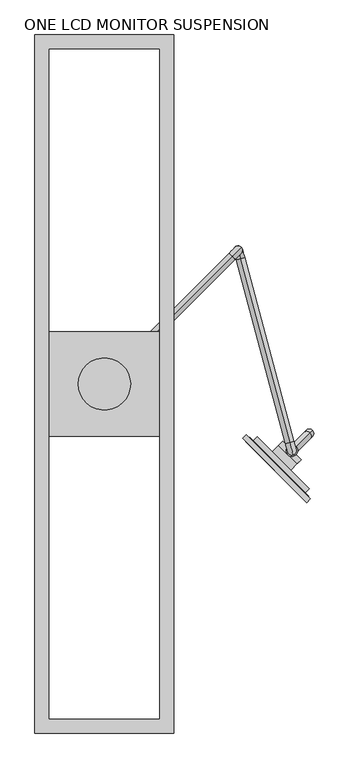
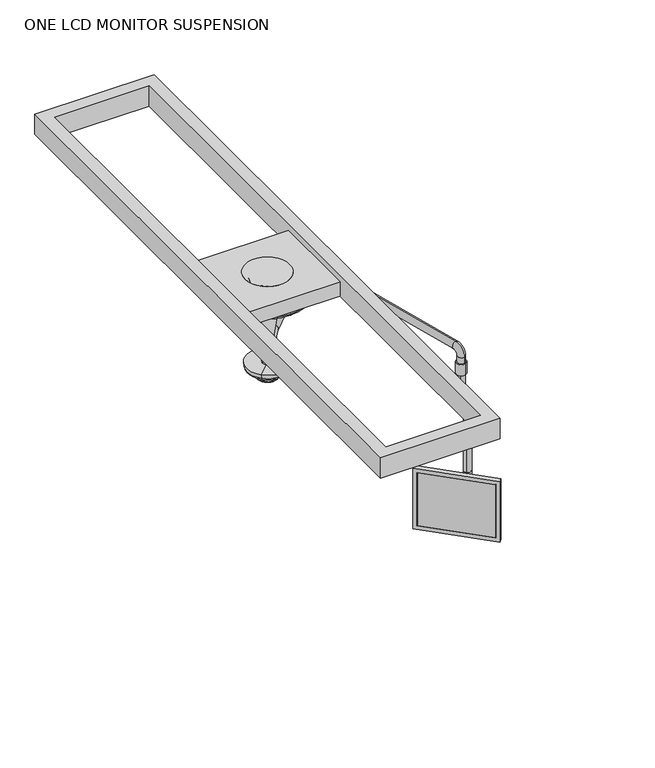
"""IFC4 building model written with IfcOpenShell, lengths in millimetres: proxy geometry, ONE LCD MONITOR SUSPENSION."""

from ifc_helpers import new_model, si_unit, point, frame, frame_2d, origin, origin_2d, place, context, project, spatial, polyline, circle_curve, ellipse_curve, trimmed, segment, composite_curve, outline, extrude, source, transform, mapped, element, save
from ifc_brep_helpers import plane_surface, cylinder_surface, revolved_surface, advanced_brep


def one_lcd_monitor_suspension_3191256f(model_context):
    return source(origin(), model_context, "Body", "SolidModel", [
        extrude(outline(polyline([(875.8612935, -506.0492928), (622.6180709, -252.8060702), (623.7406029, -251.6835382), (876.9838255, -504.9267608), (875.8612935, -506.0492928)])), frame((0.0, 0.0, 1387.2502585), z_axis=(0.0, 0.0, 1.0), x_axis=(1.0, 0.0, 0.0)), (0.0, 0.0, 1.0), 287.02),
        extrude(outline(polyline([(892.6992738, -493.7014407), (634.9659231, -235.96809), (637.2109871, -233.723026), (894.9443378, -491.4563766), (892.6992738, -493.7014407)])), frame((0.0, 0.0, 1384.0752585), z_axis=(0.0, 0.0, 1.0), x_axis=(1.0, 0.0, 0.0)), (0.0, 0.0, 1.0), 293.37),
        extrude(outline(composite_curve([segment(trimmed(circle_curve(frame_2d((121.426251, -25.3999999)), 25.4), [point((121.426251, 0.0))], [point((146.826251, -25.3999999))], False, "CARTESIAN"), True, "CONTINUOUS"), segment(polyline([(146.826251, -25.3999999), (146.826251, -63.5), (45.226251, -63.5), (45.226251, -25.3999999)]), True, "CONTINUOUS"), segment(trimmed(circle_curve(frame_2d((70.626251, -25.3999999)), 25.4), [point((45.226251, -25.3999999))], [point((70.626251, 0.0))], False, "CARTESIAN"), True, "CONTINUOUS"), segment(polyline([(70.626251, 0.0), (121.426251, 0.0)]), True, "CONTINUOUS")], self_intersect=False)), frame((861.8336332, -332.6220864, 1435.5869324), z_axis=(-0.7071067811865437, 0.7071067811865515, 0.0), x_axis=(0.0, 0.0, 1.0)), (0.0, 0.0, 1.0), 114.3),
        extrude(outline(polyline([(880.1269152, -476.638954), (652.0284097, -248.5404486), (669.988922, -230.5799363), (898.0874274, -458.6784418), (880.1269152, -476.638954)])), frame((0.0, 0.0, 1405.0302585), z_axis=(0.0, 0.0, 1.0), x_axis=(1.0, 0.0, 0.0)), (0.0, 0.0, 1.0), 251.46),
        extrude(outline(polyline([(-438.15, 0.0), (-39.37, 0.0), (-39.37, -327.66), (-438.15, -327.66), (-438.15, 0.0)]), holes=[polyline([(-417.83, -20.32), (-417.83, -307.34), (-59.69, -307.34), (-59.69, -20.32), (-417.83, -20.32)])]), frame((577.4922839, -209.9253472, 1694.5902585), z_axis=(0.7071067811865515, 0.7071067811865437, 0.0), x_axis=(-0.7071067811865437, 0.7071067811865515, 0.0)), (0.0, 0.0, 1.0), 22.225),
        extrude(outline(polyline([(-304.8, 1530.35), (304.8, 1530.35), (304.8, -1530.35), (-304.8, -1530.35), (-304.8, 1530.35)]), holes=[polyline([(-241.3, 1466.85), (-241.3, -1466.85), (241.3, -1466.85), (241.3, 1466.85), (-241.3, 1466.85)])]), frame((0.0, 0.0, 2743.2), z_axis=(0.0, 0.0, 1.0), x_axis=(1.0, 0.0, 0.0)), (0.0, 0.0, 1.0), 109.4261792),
        extrude(outline(composite_curve([segment(trimmed(circle_curve(origin_2d(), 114.3), [point((114.3, 0.0))], [point((-114.3, 0.0))], False, "CARTESIAN"), True, "CONTINUOUS"), segment(trimmed(circle_curve(origin_2d(), 114.3), [point((-114.3, 0.0))], [point((114.3, 0.0))], False, "CARTESIAN"), True, "CONTINUOUS")], self_intersect=False)), frame((0.0, 0.0, 2809.4461792), z_axis=(0.0, 0.0, 1.0), x_axis=(1.0, 0.0, 0.0)), (0.0, 0.0, 1.0), 12.7),
        advanced_brep(
        [(0.0, -203.2, 2745.9461792), (0.0, 203.2, 2745.9461792), (0.0, 203.2, 2717.1186823), (0.0, -203.2, 2717.1186823), (0.0, 0.0, 2745.9461792), (0.0, -112.5758506, 2680.1350267), (0.0, 112.5758506, 2680.1350267), (0.0, 0.0, 2680.1350267), (0.0, -120.3119154, 2681.3417776), (0.0, 120.3119154, 2681.3417776), (0.0, -194.3680324, 2705.0220578), (0.0, 194.3680324, 2705.0220578)],
        [
            (0, 1, circle_curve(frame((0.0, 0.0, 2745.9461792), z_axis=(0.0, 0.0, -1.0), x_axis=(0.0, 1.0, 0.0)), 203.2)),
            (1, 2),
            (2, 3, circle_curve(frame((0.0, 0.0, 2717.1186823), z_axis=(0.0, 0.0, 1.0), x_axis=(0.0, 1.0, 0.0)), 203.2)),
            (3, 0),
            (1, 0, circle_curve(frame((0.0, 0.0, 2745.9461792), z_axis=(0.0, 0.0, -1.0), x_axis=(0.0, 1.0, 0.0)), 203.2)),
            (3, 2, circle_curve(frame((0.0, 0.0, 2717.1186823), z_axis=(0.0, 0.0, 1.0), x_axis=(0.0, 1.0, 0.0)), 203.2)),
            (4, 1),
            (0, 4),
            (5, 6, circle_curve(frame((0.0, 0.0, 2680.1350267), z_axis=(0.0, 0.0, -1.0), x_axis=(0.0, 1.0, 0.0)), 112.5758506)),
            (6, 7),
            (7, 5),
            (6, 5, circle_curve(frame((0.0, 0.0, 2680.1350267), z_axis=(0.0, 0.0, -1.0), x_axis=(0.0, 1.0, 0.0)), 112.5758506)),
            (8, 9, circle_curve(frame((0.0, 0.0, 2681.3417776), z_axis=(0.0, 0.0, -1.0), x_axis=(0.0, 1.0, 0.0)), 120.3119154)),
            (9, 6, circle_curve(frame((0.0, 112.5758506, 2705.5350267), z_axis=(-1.0, 0.0, 0.0), x_axis=(0.0, -1.0, 0.0)), 25.4)),
            (5, 8, circle_curve(frame((0.0, -112.5758506, 2705.5350267), z_axis=(-1.0, 0.0, 0.0), x_axis=(0.0, 1.0, 0.0)), 25.4)),
            (9, 8, circle_curve(frame((0.0, 0.0, 2681.3417776), z_axis=(0.0, 0.0, -1.0), x_axis=(0.0, 1.0, 0.0)), 120.3119154)),
            (10, 11, circle_curve(frame((0.0, 0.0, 2705.0220578), z_axis=(0.0, 0.0, -1.0), x_axis=(0.0, 1.0, 0.0)), 194.3680324)),
            (11, 9),
            (8, 10),
            (11, 10, circle_curve(frame((0.0, 0.0, 2705.0220578), z_axis=(0.0, 0.0, -1.0), x_axis=(0.0, 1.0, 0.0)), 194.3680324)),
            (2, 11, circle_curve(frame((0.0, 190.5, 2717.1186823), z_axis=(-1.0, 0.0, 0.0), x_axis=(0.0, -1.0, 0.0)), 12.7)),
            (10, 3, circle_curve(frame((0.0, -190.5, 2717.1186823), z_axis=(-1.0, 0.0, 0.0), x_axis=(0.0, 1.0, 0.0)), 12.7)),
        ],
        [
            cylinder_surface(frame((0.0, 0.0, 2762.8161191), z_axis=(0.0, 0.0, 1.0), x_axis=(0.0, 1.0, 0.0)), 203.2),
            plane_surface(frame((0.0, 0.0, 2745.9461792), z_axis=(0.0, 0.0, 1.0), x_axis=(0.0, 1.0, 0.0))),
            plane_surface(frame((0.0, 0.0, 2680.1350267), z_axis=(0.0, 0.0, -1.0), x_axis=(0.0, 1.0, 0.0))),
            revolved_surface(trimmed(ellipse_curve(frame((0.0, 112.5758506, 2705.5350267), z_axis=(1.0, 0.0, 0.0), x_axis=(0.0, -1.0, 0.0)), 25.4, 25.4), [point((0.0, 112.5758506, 2680.1350267))], [point((0.0, 120.3119154, 2681.3417776))], True, "CARTESIAN"), (0.0, 0.0, 2762.8161191), (0.0, 0.0, 1.0)),
            revolved_surface(polyline([(0.0, 120.3119154, 2681.3417776), (0.0, 194.3680324, 2705.0220578)]), (0.0, 0.0, 2762.8161191), (0.0, 0.0, 1.0)),
            revolved_surface(trimmed(ellipse_curve(frame((0.0, 190.5, 2717.1186823), z_axis=(1.0, 0.0, 0.0), x_axis=(0.0, -1.0, 0.0)), 12.7, 12.7), [point((0.0, 194.3680324, 2705.0220578))], [point((0.0, 203.2, 2717.1186823))], True, "CARTESIAN"), (0.0, 0.0, 2762.8161191), (0.0, 0.0, 1.0)),
        ],
        [
            (0, [[1, 2, 3, 4]]),
            (0, [[5, -4, 6, -2]]),
            (1, [[7, -1, 8]]),
            (1, [[-8, -5, -7]]),
            (2, [[9, 10, 11]]),
            (2, [[12, -11, -10]]),
            (3, [[13, 14, -9, 15]]),
            (3, [[16, -15, -12, -14]]),
            (4, [[17, 18, -13, 19]]),
            (4, [[20, -19, -16, -18]]),
            (5, [[-3, 21, -17, 22]]),
            (5, [[-6, -22, -20, -21]]),
        ],
    ),
        extrude(outline(polyline([(2800.9161191, -263.4295592), (2813.6161191, -263.4295592), (2813.6161191, -295.1795592), (2756.4661191, -295.1795592), (2756.4661191, -273.1014375), (2762.8161191, -273.1014375), (2762.8161191, -263.4295592), (2769.1661191, -263.4295592), (2769.1661191, -250.7295592), (2745.9461792, -250.7295592), (2745.9461792, 250.7295592), (2769.1661191, 250.7295592), (2769.1661191, 263.4295592), (2762.8161191, 263.4295592), (2762.8161191, 273.1014375), (2756.4661191, 273.1014375), (2756.4661191, 295.1795592), (2813.6161191, 295.1795592), (2813.6161191, 263.4295592), (2800.9161191, 263.4295592), (2800.9161191, 250.7295592), (2822.1461792, 250.7295592), (2822.1461792, -250.7295592), (2800.9161191, -250.7295592), (2800.9161191, -263.4295592)])), frame((0.0, -228.8982997, 0.0), z_axis=(0.0, 1.0, 0.0), x_axis=(0.0, 0.0, 1.0)), (0.0, 0.0, 1.0), 457.7965994),
        extrude(outline(composite_curve([segment(trimmed(circle_curve(frame_2d((822.0470815, -292.5711806)), 25.4), [point((815.4730777, -268.0366646))], [point((828.6210852, -317.1056966))], False, "CARTESIAN"), True, "CONTINUOUS"), segment(trimmed(circle_curve(frame_2d((822.0470815, -292.5711806)), 25.4), [point((828.6210852, -317.1056966))], [point((815.4730777, -268.0366646))], False, "CARTESIAN"), True, "CONTINUOUS")], self_intersect=False)), frame((0.0, 0.0, 2168.2598584), z_axis=(0.0, 0.0, 1.0), x_axis=(1.0, 0.0, 0.0)), (0.0, 0.0, 1.0), 59.0805402),
        advanced_brep(
        [(835.5174657, -279.1007964, 2198.1762569), (808.5766973, -306.0415648, 2198.1762569), (835.5174657, -279.1007964, 2010.7577936), (808.5766973, -306.0415648, 2010.7577936), (820.4128498, -294.2054122, 1970.3466411), (839.4628498, -275.1554122, 1997.2874094), (899.8813131, -214.7369489, 1911.8427993), (880.8313131, -233.7869489, 1884.9020309), (884.7766973, -229.8415648, 1871.4316467), (911.7174657, -202.9007964, 1871.4316467), (911.7174657, -202.9007964, 1569.7131834), (884.7766973, -229.8415648, 1569.7131834), (871.3063131, -243.3119489, 1550.6631834), (871.3063131, -243.3119489, 1512.5631834), (790.484008, -324.134254, 1512.5631834), (790.484008, -324.134254, 1550.6631834)],
        [
            (0, 1, circle_curve(frame((822.0470815, -292.5711806, 2198.1762569), z_axis=(0.0, 0.0, 1.0), x_axis=(-0.7071067811865601, -0.707106781186535, 0.0)), 19.05)),
            (1, 0, circle_curve(frame((822.0470815, -292.5711806, 2198.1762569), z_axis=(0.0, 0.0, 1.0), x_axis=(-0.7071067811865601, -0.707106781186535, 0.0)), 19.05)),
            (0, 2),
            (2, 3, circle_curve(frame((822.0470815, -292.5711806, 2010.7577936), z_axis=(0.0, 0.0, 1.0), x_axis=(-0.7071067811865601, -0.707106781186535, 0.0)), 19.05)),
            (3, 1),
            (3, 2, circle_curve(frame((822.0470815, -292.5711806, 2010.7577936), z_axis=(0.0, 0.0, 1.0), x_axis=(-0.7071067811865601, -0.707106781186535, 0.0)), 19.05)),
            (4, 3, circle_curve(frame((848.9878498, -265.6304122, 2010.7577936), z_axis=(-0.707106781186535, 0.7071067811865601, 0.0), x_axis=(-0.7071067811865601, -0.707106781186535, 0.0)), 57.15)),
            (2, 5, circle_curve(frame((848.9878498, -265.6304122, 2010.7577936), z_axis=(0.707106781186535, -0.7071067811865601, 0.0), x_axis=(-0.7071067811865601, -0.707106781186535, 0.0)), 19.05)),
            (5, 4, circle_curve(frame((829.9378498, -284.6804122, 1983.8170253), z_axis=(-0.5000000000000221, -0.5000000000000044, 0.7071067811865288), x_axis=(-0.4999999999999957, -0.49999999999997785, -0.7071067811865662)), 19.05)),
            (4, 5, circle_curve(frame((829.9378498, -284.6804122, 1983.8170253), z_axis=(-0.5000000000000132, -0.49999999999999556, 0.7071067811865414), x_axis=(-0.5000000000000046, -0.49999999999998673, -0.7071067811865537)), 19.05)),
            (5, 6),
            (6, 7, circle_curve(frame((890.3563131, -224.2619489, 1898.3724151), z_axis=(-0.5000000000000095, -0.49999999999999206, 0.7071067811865466), x_axis=(-0.5000000000000082, -0.49999999999999045, -0.7071067811865486)), 19.05)),
            (7, 4),
            (7, 6, circle_curve(frame((890.3563131, -224.2619489, 1898.3724151), z_axis=(-0.5000000000000095, -0.49999999999999206, 0.7071067811865466), x_axis=(-0.5000000000000082, -0.49999999999999045, -0.7071067811865486)), 19.05)),
            (8, 7, circle_curve(frame((871.3063131, -243.3119489, 1871.4316467), z_axis=(0.707106781186535, -0.7071067811865601, 0.0), x_axis=(0.5000000000000102, 0.4999999999999924, 0.7071067811865457)), 19.05)),
            (6, 9, circle_curve(frame((871.3063131, -243.3119489, 1871.4316467), z_axis=(-0.707106781186535, 0.7071067811865601, 0.0), x_axis=(0.5000000000000102, 0.4999999999999924, 0.7071067811865457)), 57.15)),
            (9, 8, circle_curve(frame((898.2470815, -216.3711806, 1871.4316467), z_axis=(0.0, 0.0, 1.0), x_axis=(-0.7071067811865601, -0.707106781186535, 0.0)), 19.05)),
            (8, 9, circle_curve(frame((898.2470815, -216.3711806, 1871.4316467), z_axis=(0.0, 0.0, 1.0), x_axis=(-0.7071067811865601, -0.707106781186535, 0.0)), 19.05)),
            (9, 10),
            (10, 11, circle_curve(frame((898.2470815, -216.3711806, 1569.7131834), z_axis=(0.0, 0.0, 1.0), x_axis=(-0.70710678118656, -0.7071067811865349, 0.0)), 19.05)),
            (11, 8),
            (11, 10, circle_curve(frame((898.2470815, -216.3711806, 1569.7131834), z_axis=(0.0, 0.0, 1.0), x_axis=(-0.70710678118656, -0.7071067811865349, 0.0)), 19.05)),
            (12, 11, circle_curve(frame((871.3063131, -243.3119489, 1569.7131834), z_axis=(0.707106781186535, -0.7071067811865601, 0.0), x_axis=(0.7071067811865601, 0.707106781186535, 0.0)), 19.05)),
            (10, 13, circle_curve(frame((871.3063131, -243.3119489, 1569.7131834), z_axis=(-0.707106781186535, 0.7071067811865601, 0.0), x_axis=(0.7071067811865601, 0.707106781186535, 0.0)), 57.15)),
            (13, 12, circle_curve(frame((871.3063131, -243.3119489, 1531.6131834), z_axis=(0.7071067811865602, 0.7071067811865349, 0.0), x_axis=(0.0, 0.0, 1.0)), 19.05)),
            (12, 13, circle_curve(frame((871.3063131, -243.3119489, 1531.6131834), z_axis=(0.7071067811865602, 0.7071067811865349, 0.0), x_axis=(0.0, 0.0, 1.0)), 19.05)),
            (14, 15, circle_curve(frame((790.484008, -324.134254, 1531.6131834), z_axis=(-0.7071067811865601, -0.7071067811865349, 0.0), x_axis=(0.0, 0.0, 1.0)), 19.05)),
            (15, 14, circle_curve(frame((790.484008, -324.134254, 1531.6131834), z_axis=(-0.7071067811865601, -0.7071067811865349, 0.0), x_axis=(0.0, 0.0, 1.0)), 19.05)),
            (13, 14),
            (15, 12),
        ],
        [
            plane_surface(frame((822.0470815, -292.5711806, 2198.1762569), z_axis=(0.0, 0.0, 1.0), x_axis=(-0.707106781186535, 0.7071067811865601, 0.0))),
            cylinder_surface(frame((822.0470815, -292.5711806, 2198.1762569), z_axis=(0.0, 0.0, 1.0), x_axis=(-0.7071067811865601, -0.707106781186535, 0.0)), 19.05),
            revolved_surface(trimmed(ellipse_curve(frame((822.0470815, -292.5711806, 2010.7577936), z_axis=(0.0, 0.0, 1.0), x_axis=(-0.7071067811865601, -0.707106781186535, 0.0)), 19.05, 19.05), [point((835.5174657, -279.1007964, 2010.7577936))], [point((808.5766973, -306.0415648, 2010.7577936))], True, "CARTESIAN"), (848.9878498, -265.6304122, 2010.7577936), (0.707106781186535, -0.7071067811865601, 0.0)),
            revolved_surface(trimmed(ellipse_curve(frame((822.0470815, -292.5711806, 2010.7577936), z_axis=(0.0, 0.0, 1.0), x_axis=(-0.7071067811865601, -0.707106781186535, 0.0)), 19.05, 19.05), [point((808.5766973, -306.0415648, 2010.7577936))], [point((835.5174657, -279.1007964, 2010.7577936))], True, "CARTESIAN"), (848.9878498, -265.6304122, 2010.7577936), (0.707106781186535, -0.7071067811865601, 0.0)),
            cylinder_surface(frame((829.9378498, -284.6804122, 1983.8170253), z_axis=(-0.5000000000000095, -0.49999999999999206, 0.7071067811865466), x_axis=(-0.5000000000000082, -0.49999999999999045, -0.7071067811865486)), 19.05),
            revolved_surface(trimmed(ellipse_curve(frame((890.3563131, -224.2619489, 1898.3724151), z_axis=(-0.5000000000000075, -0.4999999999999901, 0.7071067811865493), x_axis=(-0.5000000000000101, -0.4999999999999923, -0.7071067811865458)), 19.05, 19.05), [point((899.8813131, -214.7369489, 1911.8427993))], [point((880.8313131, -233.7869489, 1884.9020309))], True, "CARTESIAN"), (871.3063131, -243.3119489, 1871.4316467), (-0.707106781186535, 0.7071067811865601, 0.0)),
            revolved_surface(trimmed(ellipse_curve(frame((890.3563131, -224.2619489, 1898.3724151), z_axis=(-0.5000000000000075, -0.4999999999999901, 0.7071067811865493), x_axis=(-0.5000000000000101, -0.4999999999999923, -0.7071067811865458)), 19.05, 19.05), [point((880.8313131, -233.7869489, 1884.9020309))], [point((899.8813131, -214.7369489, 1911.8427993))], True, "CARTESIAN"), (871.3063131, -243.3119489, 1871.4316467), (-0.707106781186535, 0.7071067811865601, 0.0)),
            cylinder_surface(frame((898.2470815, -216.3711806, 1871.4316467), z_axis=(0.0, 0.0, 1.0), x_axis=(-0.70710678118656, -0.7071067811865349, 0.0)), 19.05),
            revolved_surface(trimmed(ellipse_curve(frame((898.2470815, -216.3711806, 1569.7131834), z_axis=(0.0, 0.0, 1.0), x_axis=(-0.7071067811865601, -0.707106781186535, 0.0)), 19.05, 19.05), [point((911.7174657, -202.9007964, 1569.7131834))], [point((884.7766973, -229.8415648, 1569.7131834))], True, "CARTESIAN"), (871.3063131, -243.3119489, 1569.7131834), (-0.707106781186535, 0.7071067811865601, 0.0)),
            revolved_surface(trimmed(ellipse_curve(frame((898.2470815, -216.3711806, 1569.7131834), z_axis=(0.0, 0.0, 1.0), x_axis=(-0.7071067811865601, -0.707106781186535, 0.0)), 19.05, 19.05), [point((884.7766973, -229.8415648, 1569.7131834))], [point((911.7174657, -202.9007964, 1569.7131834))], True, "CARTESIAN"), (871.3063131, -243.3119489, 1569.7131834), (-0.707106781186535, 0.7071067811865601, 0.0)),
            plane_surface(frame((790.484008, -324.134254, 1531.6131834), z_axis=(-0.7071067811865601, -0.7071067811865349, 0.0), x_axis=(-0.7071067811865349, 0.7071067811865601, 0.0))),
            cylinder_surface(frame((871.3063131, -243.3119489, 1531.6131834), z_axis=(0.7071067811865602, 0.707106781186535, 0.0), x_axis=(0.0, 0.0, 1.0)), 19.05),
        ],
        [
            (0, [[1, 2]]),
            (1, [[-1, 3, 4, 5]]),
            (1, [[-2, -5, 6, -3]]),
            (2, [[7, -4, 8, 9]]),
            (3, [[-8, -6, -7, 10]]),
            (4, [[-9, 11, 12, 13]]),
            (4, [[-10, -13, 14, -11]]),
            (5, [[15, -12, 16, 17]]),
            (6, [[-16, -14, -15, 18]]),
            (7, [[-17, 19, 20, 21]]),
            (7, [[-18, -21, 22, -19]]),
            (8, [[23, -20, 24, 25]]),
            (9, [[-24, -22, -23, 26]]),
            (10, [[27, 28]]),
            (11, [[-25, 29, -28, 30]]),
            (11, [[-26, -30, -27, -29]]),
        ],
    ),
        advanced_brep(
        [(581.5700245, 604.9014143, 2401.3762569), (591.4310301, 568.0996403, 2401.3762569), (581.5700245, 604.9014143, 2337.8762569), (591.4310301, 568.0996403, 2337.8762569), (596.3615329, 549.6987533, 2318.8262569), (596.3615329, 549.6987533, 2280.7262569), (812.1860759, -255.7694066, 2280.7262569), (812.1860759, -255.7694066, 2318.8262569), (826.9775843, -310.9720676, 2261.6762569), (817.1165787, -274.1702936, 2261.6762569), (817.1165787, -274.1702936, 2198.1762569), (826.9775843, -310.9720676, 2198.1762569)],
        [
            (0, 1, circle_curve(frame((586.5005273, 586.5005273, 2401.3762569), z_axis=(0.0, 0.0, 1.0), x_axis=(0.2588190451025223, -0.965925826289068, 0.0)), 19.05)),
            (1, 0, circle_curve(frame((586.5005273, 586.5005273, 2401.3762569), z_axis=(0.0, 0.0, 1.0), x_axis=(0.2588190451025223, -0.965925826289068, 0.0)), 19.05)),
            (0, 2),
            (2, 3, circle_curve(frame((586.5005273, 586.5005273, 2337.8762569), z_axis=(0.0, 0.0, 1.0), x_axis=(0.2588190451025223, -0.965925826289068, 0.0)), 19.05)),
            (3, 1),
            (3, 2, circle_curve(frame((586.5005273, 586.5005273, 2337.8762569), z_axis=(0.0, 0.0, 1.0), x_axis=(0.2588190451025223, -0.965925826289068, 0.0)), 19.05)),
            (4, 3, circle_curve(frame((596.3615329, 549.6987533, 2337.8762569), z_axis=(0.965925826289068, 0.2588190451025223, 0.0), x_axis=(-0.2588190451025223, 0.965925826289068, 0.0)), 19.05)),
            (2, 5, circle_curve(frame((596.3615329, 549.6987533, 2337.8762569), z_axis=(-0.965925826289068, -0.2588190451025223, 0.0), x_axis=(-0.2588190451025223, 0.965925826289068, 0.0)), 57.15)),
            (5, 4, circle_curve(frame((596.3615329, 549.6987533, 2299.7762569), z_axis=(-0.2588190451025223, 0.965925826289068, 0.0), x_axis=(0.0, 0.0, 1.0000000000000002)), 19.05)),
            (4, 5, circle_curve(frame((596.3615329, 549.6987533, 2299.7762569), z_axis=(-0.2588190451025223, 0.965925826289068, 0.0), x_axis=(0.0, 0.0, 1.0000000000000002)), 19.05)),
            (5, 6),
            (6, 7, circle_curve(frame((812.1860759, -255.7694066, 2299.7762569), z_axis=(-0.2588190451025223, 0.965925826289068, 0.0), x_axis=(0.0, 0.0, 1.0)), 19.05)),
            (7, 4),
            (7, 6, circle_curve(frame((812.1860759, -255.7694066, 2299.7762569), z_axis=(-0.2588190451025223, 0.965925826289068, 0.0), x_axis=(0.0, 0.0, 1.0)), 19.05)),
            (8, 7, circle_curve(frame((812.1860759, -255.7694066, 2261.6762569), z_axis=(-0.965925826289068, -0.2588190451025223, 0.0), x_axis=(0.0, 0.0, 1.0)), 57.15)),
            (6, 9, circle_curve(frame((812.1860759, -255.7694066, 2261.6762569), z_axis=(0.965925826289068, 0.2588190451025223, 0.0), x_axis=(0.0, 0.0, 1.0)), 19.05)),
            (9, 8, circle_curve(frame((822.0470815, -292.5711806, 2261.6762569), z_axis=(0.0, 0.0, 1.0), x_axis=(0.2588190451025222, -0.965925826289068, 0.0)), 19.05)),
            (8, 9, circle_curve(frame((822.0470815, -292.5711806, 2261.6762569), z_axis=(0.0, 0.0, 1.0), x_axis=(0.2588190451025222, -0.965925826289068, 0.0)), 19.05)),
            (10, 11, circle_curve(frame((822.0470815, -292.5711806, 2198.1762569), z_axis=(0.0, 0.0, -1.0), x_axis=(0.2588190451025222, -0.965925826289068, 0.0)), 19.05)),
            (11, 10, circle_curve(frame((822.0470815, -292.5711806, 2198.1762569), z_axis=(0.0, 0.0, -1.0), x_axis=(0.2588190451025222, -0.965925826289068, 0.0)), 19.05)),
            (9, 10),
            (11, 8),
        ],
        [
            plane_surface(frame((586.5005273, 586.5005273, 2401.3762569), z_axis=(0.0, 0.0, 1.0000000000000002), x_axis=(-0.965925826289068, -0.2588190451025223, 0.0))),
            cylinder_surface(frame((586.5005273, 586.5005273, 2401.3762569), z_axis=(0.0, 0.0, 1.0000000000000002), x_axis=(0.2588190451025223, -0.965925826289068, 0.0)), 19.05),
            revolved_surface(trimmed(ellipse_curve(frame((586.5005273, 586.5005273, 2337.8762569), z_axis=(0.0, 0.0, 1.0000000000000002), x_axis=(0.2588190451025223, -0.965925826289068, 0.0)), 19.05, 19.05), [point((581.5700245, 604.9014143, 2337.8762569))], [point((591.4310301, 568.0996403, 2337.8762569))], True, "CARTESIAN"), (596.3615329, 549.6987533, 2337.8762569), (-0.965925826289068, -0.2588190451025223, 0.0)),
            revolved_surface(trimmed(ellipse_curve(frame((586.5005273, 586.5005273, 2337.8762569), z_axis=(0.0, 0.0, 1.0000000000000002), x_axis=(0.2588190451025223, -0.965925826289068, 0.0)), 19.05, 19.05), [point((591.4310301, 568.0996403, 2337.8762569))], [point((581.5700245, 604.9014143, 2337.8762569))], True, "CARTESIAN"), (596.3615329, 549.6987533, 2337.8762569), (-0.965925826289068, -0.2588190451025223, 0.0)),
            cylinder_surface(frame((596.3615329, 549.6987533, 2299.7762569), z_axis=(-0.2588190451025223, 0.965925826289068, 0.0), x_axis=(0.0, 0.0, 1.0)), 19.05),
            revolved_surface(trimmed(ellipse_curve(frame((812.1860759, -255.7694066, 2299.7762569), z_axis=(-0.2588190451025223, 0.965925826289068, 0.0), x_axis=(0.0, 0.0, 1.0)), 19.05, 19.05), [point((812.1860759, -255.7694066, 2280.7262569))], [point((812.1860759, -255.7694066, 2318.8262569))], True, "CARTESIAN"), (812.1860759, -255.7694066, 2261.6762569), (0.965925826289068, 0.2588190451025223, 0.0)),
            revolved_surface(trimmed(ellipse_curve(frame((812.1860759, -255.7694066, 2299.7762569), z_axis=(-0.2588190451025223, 0.965925826289068, 0.0), x_axis=(0.0, 0.0, 1.0)), 19.05, 19.05), [point((812.1860759, -255.7694066, 2318.8262569))], [point((812.1860759, -255.7694066, 2280.7262569))], True, "CARTESIAN"), (812.1860759, -255.7694066, 2261.6762569), (0.965925826289068, 0.2588190451025223, 0.0)),
            plane_surface(frame((822.0470815, -292.5711806, 2198.1762569), z_axis=(0.0, 0.0, -1.0000000000000002), x_axis=(-0.965925826289068, -0.2588190451025222, 0.0))),
            cylinder_surface(frame((822.0470815, -292.5711806, 2261.6762569), z_axis=(0.0, 0.0, 1.0), x_axis=(0.2588190451025222, -0.965925826289068, 0.0)), 19.05),
        ],
        [
            (0, [[1, 2]]),
            (1, [[-1, 3, 4, 5]]),
            (1, [[-2, -5, 6, -3]]),
            (2, [[7, -4, 8, 9]]),
            (3, [[-8, -6, -7, 10]]),
            (4, [[-9, 11, 12, 13]]),
            (4, [[-10, -13, 14, -11]]),
            (5, [[15, -12, 16, 17]]),
            (6, [[-16, -14, -15, 18]]),
            (7, [[19, 20]]),
            (8, [[-17, 21, -20, 22]]),
            (8, [[-18, -22, -19, -21]]),
        ],
    ),
        advanced_brep(
        [(42.6562166, 42.6562166, 2337.8762569), (69.5969849, 69.5969849, 2337.8762569), (42.6562166, 42.6562166, 2401.3762569), (69.5969849, 69.5969849, 2401.3762569), (83.0673691, 83.0673691, 2420.4262569), (83.0673691, 83.0673691, 2458.5262569), (559.5597589, 559.5597589, 2458.5262569), (559.5597589, 559.5597589, 2420.4262569), (573.0301431, 573.0301431, 2401.3762569), (599.9709114, 599.9709114, 2401.3762569), (599.9709114, 599.9709114, 2369.6262569), (573.0301431, 573.0301431, 2369.6262569)],
        [
            (0, 1, circle_curve(frame((56.1266008, 56.1266008, 2337.8762569), z_axis=(0.0, 0.0, -1.0), x_axis=(0.7071067811865482, 0.7071067811865469, 0.0)), 19.05)),
            (1, 0, circle_curve(frame((56.1266008, 56.1266008, 2337.8762569), z_axis=(0.0, 0.0, -1.0), x_axis=(0.7071067811865482, 0.7071067811865469, 0.0)), 19.05)),
            (0, 2),
            (2, 3, circle_curve(frame((56.1266008, 56.1266008, 2401.3762569), z_axis=(0.0, 0.0, -1.0), x_axis=(0.7071067811865482, 0.7071067811865469, 0.0)), 19.05)),
            (3, 1),
            (3, 2, circle_curve(frame((56.1266008, 56.1266008, 2401.3762569), z_axis=(0.0, 0.0, -1.0), x_axis=(0.7071067811865482, 0.7071067811865469, 0.0)), 19.05)),
            (4, 3, circle_curve(frame((83.0673691, 83.0673691, 2401.3762569), z_axis=(0.7071067811865469, -0.7071067811865482, 0.0), x_axis=(-0.7071067811865482, -0.7071067811865469, 0.0)), 19.05)),
            (2, 5, circle_curve(frame((83.0673691, 83.0673691, 2401.3762569), z_axis=(-0.7071067811865469, 0.7071067811865482, 0.0), x_axis=(-0.7071067811865482, -0.7071067811865469, 0.0)), 57.15)),
            (5, 4, circle_curve(frame((83.0673691, 83.0673691, 2439.4762569), z_axis=(-0.7071067811865482, -0.7071067811865469, 0.0), x_axis=(0.0, 0.0, -1.0)), 19.05)),
            (4, 5, circle_curve(frame((83.0673691, 83.0673691, 2439.4762569), z_axis=(-0.7071067811865482, -0.7071067811865469, 0.0), x_axis=(0.0, 0.0, -1.0)), 19.05)),
            (5, 6),
            (6, 7, circle_curve(frame((559.5597589, 559.5597589, 2439.4762569), z_axis=(-0.7071067811865485, -0.7071067811865468, 0.0), x_axis=(0.0, 0.0, -1.0)), 19.05)),
            (7, 4),
            (7, 6, circle_curve(frame((559.5597589, 559.5597589, 2439.4762569), z_axis=(-0.7071067811865485, -0.7071067811865468, 0.0), x_axis=(0.0, 0.0, -1.0)), 19.05)),
            (8, 7, circle_curve(frame((559.5597589, 559.5597589, 2401.3762569), z_axis=(0.7071067811865469, -0.7071067811865482, 0.0), x_axis=(0.0, 0.0, 1.0)), 19.05)),
            (6, 9, circle_curve(frame((559.5597589, 559.5597589, 2401.3762569), z_axis=(-0.7071067811865469, 0.7071067811865482, 0.0), x_axis=(0.0, 0.0, 1.0)), 57.15)),
            (9, 8, circle_curve(frame((586.5005273, 586.5005273, 2401.3762569), z_axis=(0.0, 0.0, 1.0), x_axis=(-0.7071067811865482, -0.7071067811865469, 0.0)), 19.05)),
            (8, 9, circle_curve(frame((586.5005273, 586.5005273, 2401.3762569), z_axis=(0.0, 0.0, 1.0), x_axis=(-0.7071067811865482, -0.7071067811865469, 0.0)), 19.05)),
            (10, 11, circle_curve(frame((586.5005273, 586.5005273, 2369.6262569), z_axis=(0.0, 0.0, -1.0), x_axis=(-0.7071067811865482, -0.7071067811865469, 0.0)), 19.05)),
            (11, 10, circle_curve(frame((586.5005273, 586.5005273, 2369.6262569), z_axis=(0.0, 0.0, -1.0), x_axis=(-0.7071067811865482, -0.7071067811865469, 0.0)), 19.05)),
            (9, 10),
            (11, 8),
        ],
        [
            plane_surface(frame((56.1266008, 56.1266008, 2337.8762569), z_axis=(0.0, 0.0, -1.0), x_axis=(0.7071067811865469, -0.7071067811865482, 0.0))),
            cylinder_surface(frame((56.1266008, 56.1266008, 2337.8762569), z_axis=(0.0, 0.0, -1.0), x_axis=(0.7071067811865482, 0.7071067811865469, 0.0)), 19.05),
            revolved_surface(trimmed(ellipse_curve(frame((56.1266008, 56.1266008, 2401.3762569), z_axis=(0.0, 0.0, -1.0), x_axis=(0.7071067811865482, 0.7071067811865469, 0.0)), 19.05, 19.05), [point((42.6562166, 42.6562166, 2401.3762569))], [point((69.5969849, 69.5969849, 2401.3762569))], True, "CARTESIAN"), (83.0673691, 83.0673691, 2401.3762569), (-0.7071067811865469, 0.7071067811865482, 0.0)),
            revolved_surface(trimmed(ellipse_curve(frame((56.1266008, 56.1266008, 2401.3762569), z_axis=(0.0, 0.0, -1.0), x_axis=(0.7071067811865482, 0.7071067811865469, 0.0)), 19.05, 19.05), [point((69.5969849, 69.5969849, 2401.3762569))], [point((42.6562166, 42.6562166, 2401.3762569))], True, "CARTESIAN"), (83.0673691, 83.0673691, 2401.3762569), (-0.7071067811865469, 0.7071067811865482, 0.0)),
            cylinder_surface(frame((83.0673691, 83.0673691, 2439.4762569), z_axis=(-0.7071067811865485, -0.7071067811865468, 0.0), x_axis=(0.0, 0.0, -1.0)), 19.05),
            revolved_surface(trimmed(ellipse_curve(frame((559.5597589, 559.5597589, 2439.4762569), z_axis=(-0.7071067811865483, -0.7071067811865468, 0.0), x_axis=(0.0, 0.0, -1.0)), 19.05, 19.05), [point((559.5597589, 559.5597589, 2458.5262569))], [point((559.5597589, 559.5597589, 2420.4262569))], True, "CARTESIAN"), (559.5597589, 559.5597589, 2401.3762569), (-0.7071067811865469, 0.7071067811865482, 0.0)),
            revolved_surface(trimmed(ellipse_curve(frame((559.5597589, 559.5597589, 2439.4762569), z_axis=(-0.7071067811865483, -0.7071067811865468, 0.0), x_axis=(0.0, 0.0, -1.0)), 19.05, 19.05), [point((559.5597589, 559.5597589, 2420.4262569))], [point((559.5597589, 559.5597589, 2458.5262569))], True, "CARTESIAN"), (559.5597589, 559.5597589, 2401.3762569), (-0.7071067811865469, 0.7071067811865482, 0.0)),
            plane_surface(frame((586.5005273, 586.5005273, 2369.6262569), z_axis=(0.0, 0.0, -1.0), x_axis=(0.7071067811865468, -0.7071067811865483, 0.0))),
            cylinder_surface(frame((586.5005273, 586.5005273, 2401.3762569), z_axis=(0.0, 0.0, 1.0), x_axis=(-0.7071067811865482, -0.7071067811865469, 0.0)), 19.05),
        ],
        [
            (0, [[1, 2]]),
            (1, [[-1, 3, 4, 5]]),
            (1, [[-2, -5, 6, -3]]),
            (2, [[7, -4, 8, 9]]),
            (3, [[-8, -6, -7, 10]]),
            (4, [[-9, 11, 12, 13]]),
            (4, [[-10, -13, 14, -11]]),
            (5, [[15, -12, 16, 17]]),
            (6, [[-16, -14, -15, 18]]),
            (7, [[19, 20]]),
            (8, [[-17, 21, -20, 22]]),
            (8, [[-18, -22, -19, -21]]),
        ],
    ),
        advanced_brep(
        [(44.4146839, 0.0, 2666.5389755), (-44.4146839, 0.0, 2666.5389755), (0.0, 0.0, 2666.5389755), (27.9274547, 0.0, 2478.0890833), (-27.9274547, 0.0, 2478.0890833), (0.0, 0.0, 2478.0890833)],
        [
            (0, 1, circle_curve(frame((0.0, 0.0, 2666.5389755), z_axis=(0.0, 0.0, 1.0), x_axis=(-1.0, 0.0, 0.0)), 44.4146839)),
            (1, 2),
            (2, 0),
            (1, 0, circle_curve(frame((0.0, 0.0, 2666.5389755), z_axis=(0.0, 0.0, 1.0), x_axis=(-1.0, 0.0, 0.0)), 44.4146839)),
            (3, 4, circle_curve(frame((0.0, 0.0, 2478.0890833), z_axis=(0.0, 0.0, 1.0), x_axis=(-1.0, 0.0, 0.0)), 27.9274547)),
            (4, 1, circle_curve(frame((768.7417451, 0.0, 2642.7347758), z_axis=(0.0, 1.0, 0.0), x_axis=(1.0, 0.0, 0.0)), 813.5047744)),
            (0, 3, circle_curve(frame((-768.7417451, 0.0, 2642.7347758), z_axis=(0.0, 1.0, 0.0), x_axis=(-1.0, 0.0, 0.0)), 813.5047744)),
            (4, 3, circle_curve(frame((0.0, 0.0, 2478.0890833), z_axis=(0.0, 0.0, 1.0), x_axis=(-1.0, 0.0, 0.0)), 27.9274547)),
            (5, 4),
            (3, 5),
        ],
        [
            plane_surface(frame((0.0, 0.0, 2666.5389755), z_axis=(0.0, 0.0, 1.0), x_axis=(-1.0, 0.0, 0.0))),
            revolved_surface(trimmed(ellipse_curve(frame((768.7417451, 0.0, 2642.7347758), z_axis=(0.0, -1.0, 0.0), x_axis=(1.0, 0.0, 0.0)), 813.5047744, 813.5047744), [point((-44.4146839, 0.0, 2666.5389755))], [point((-27.9274547, 0.0, 2478.0890833))], True, "CARTESIAN"), (0.0, 0.0, 2691.9389755), (0.0, 0.0, -1.0)),
            plane_surface(frame((0.0, 0.0, 2478.0890833), z_axis=(0.0, 0.0, -1.0), x_axis=(-1.0, 0.0, 0.0))),
        ],
        [
            (0, [[1, 2, 3]]),
            (0, [[4, -3, -2]]),
            (1, [[5, 6, -1, 7]]),
            (1, [[8, -7, -4, -6]]),
            (2, [[9, -5, 10]]),
            (2, [[-10, -8, -9]]),
        ],
    ),
        advanced_brep(
        [(98.6450527, 0.0, 2809.4461792), (-98.6450527, 0.0, 2809.4461792), (0.0, 0.0, 2809.4461792), (86.3777948, 0.0, 2800.0331811), (-86.3777948, 0.0, 2800.0331811), (51.9781828, 0.0, 2671.6520814), (-51.9781828, 0.0, 2671.6520814), (39.7109248, 0.0, 2662.2390833), (-39.7109248, 0.0, 2662.2390833), (0.0, 0.0, 2662.2390833)],
        [
            (0, 1, circle_curve(frame((0.0, 0.0, 2809.4461792), z_axis=(0.0, 0.0, 1.0), x_axis=(-1.0, 0.0, 0.0)), 98.6450527)),
            (1, 2),
            (2, 0),
            (1, 0, circle_curve(frame((0.0, 0.0, 2809.4461792), z_axis=(0.0, 0.0, 1.0), x_axis=(-1.0, 0.0, 0.0)), 98.6450527)),
            (3, 4, circle_curve(frame((0.0, 0.0, 2800.0331811), z_axis=(0.0, 0.0, 1.0), x_axis=(-1.0, 0.0, 0.0)), 86.3777948)),
            (4, 1, circle_curve(frame((-98.6450527, 0.0, 2796.7461792), z_axis=(0.0, -1.0, 0.0), x_axis=(1.0, 0.0, 0.0)), 12.7)),
            (0, 3, circle_curve(frame((98.6450527, 0.0, 2796.7461792), z_axis=(0.0, -1.0, 0.0), x_axis=(-1.0, 0.0, 0.0)), 12.7)),
            (4, 3, circle_curve(frame((0.0, 0.0, 2800.0331811), z_axis=(0.0, 0.0, 1.0), x_axis=(-1.0, 0.0, 0.0)), 86.3777948)),
            (5, 6, circle_curve(frame((0.0, 0.0, 2671.6520814), z_axis=(0.0, 0.0, 1.0), x_axis=(-1.0, 0.0, 0.0)), 51.9781828)),
            (6, 4),
            (3, 5),
            (6, 5, circle_curve(frame((0.0, 0.0, 2671.6520814), z_axis=(0.0, 0.0, 1.0), x_axis=(-1.0, 0.0, 0.0)), 51.9781828)),
            (7, 8, circle_curve(frame((0.0, 0.0, 2662.2390833), z_axis=(0.0, 0.0, 1.0), x_axis=(-1.0, 0.0, 0.0)), 39.7109248)),
            (8, 6, circle_curve(frame((-39.7109248, 0.0, 2674.9390833), z_axis=(0.0, 1.0, 0.0), x_axis=(1.0, 0.0, 0.0)), 12.7)),
            (5, 7, circle_curve(frame((39.7109248, 0.0, 2674.9390833), z_axis=(0.0, 1.0, 0.0), x_axis=(-1.0, 0.0, 0.0)), 12.7)),
            (8, 7, circle_curve(frame((0.0, 0.0, 2662.2390833), z_axis=(0.0, 0.0, 1.0), x_axis=(-1.0, 0.0, 0.0)), 39.7109248)),
            (9, 8),
            (7, 9),
        ],
        [
            plane_surface(frame((0.0, 0.0, 2809.4461792), z_axis=(0.0, 0.0, 1.0), x_axis=(-1.0, 0.0, 0.0))),
            revolved_surface(trimmed(ellipse_curve(frame((-98.6450527, 0.0, 2796.7461792), z_axis=(0.0, 1.0, 0.0), x_axis=(1.0, 0.0, 0.0)), 12.7, 12.7), [point((-98.6450527, 0.0, 2809.4461792))], [point((-86.3777948, 0.0, 2800.0331811))], True, "CARTESIAN"), (0.0, 0.0, 2828.4961792), (0.0, 0.0, -1.0)),
            revolved_surface(polyline([(-86.3777948, 0.0, 2800.0331811), (-51.9781828, 0.0, 2671.6520814)]), (0.0, 0.0, 2828.4961792), (0.0, 0.0, -1.0)),
            revolved_surface(trimmed(ellipse_curve(frame((-39.7109248, 0.0, 2674.9390833), z_axis=(0.0, -1.0, 0.0), x_axis=(1.0, 0.0, 0.0)), 12.7, 12.7), [point((-51.9781828, 0.0, 2671.6520814))], [point((-39.7109248, 0.0, 2662.2390833))], True, "CARTESIAN"), (0.0, 0.0, 2828.4961792), (0.0, 0.0, -1.0)),
            plane_surface(frame((0.0, 0.0, 2662.2390833), z_axis=(0.0, 0.0, -1.0), x_axis=(-1.0, 0.0, 0.0))),
        ],
        [
            (0, [[1, 2, 3]]),
            (0, [[4, -3, -2]]),
            (1, [[5, 6, -1, 7]]),
            (1, [[8, -7, -4, -6]]),
            (2, [[9, 10, -5, 11]]),
            (2, [[12, -11, -8, -10]]),
            (3, [[13, 14, -9, 15]]),
            (3, [[16, -15, -12, -14]]),
            (4, [[17, -13, 18]]),
            (4, [[-18, -16, -17]]),
        ],
    ),
        advanced_brep(
        [(72.8561283, 72.8561283, 2316.7630057), (-72.8561283, -72.8561283, 2316.7630057), (-75.3443489, -75.3443489, 2337.8762569), (75.3443489, 75.3443489, 2337.8762569), (66.3223196, 66.3223196, 2306.5836149), (-66.3223196, -66.3223196, 2306.5836149), (50.1611389, 50.1611389, 2300.4595394), (-50.1611389, -50.1611389, 2300.4595394), (43.8923431, 43.8923431, 2291.8812839), (-43.8923431, -43.8923431, 2291.8812839), (38.8138786, 38.8138786, 2268.2220237), (-38.8138786, -38.8138786, 2268.2220237), (35.8128744, 35.8128744, 2261.9738291), (-35.8128744, -35.8128744, 2261.9738291), (0.0, 0.0, 2242.2641792), (0.0, 0.0, 2337.8762569)],
        [
            (0, 1, circle_curve(frame((0.0, 0.0, 2316.7630057), z_axis=(0.0, 0.0, 1.0), x_axis=(-0.7071067811865482, -0.7071067811865469, 0.0)), 103.0341248)),
            (1, 2),
            (2, 3, circle_curve(frame((0.0, 0.0, 2337.8762569), z_axis=(0.0, 0.0, -1.0), x_axis=(-0.7071067811865482, -0.7071067811865469, 0.0)), 106.553)),
            (3, 0),
            (1, 0, circle_curve(frame((0.0, 0.0, 2316.7630057), z_axis=(0.0, 0.0, 1.0), x_axis=(-0.7071067811865482, -0.7071067811865469, 0.0)), 103.0341248)),
            (3, 2, circle_curve(frame((0.0, 0.0, 2337.8762569), z_axis=(0.0, 0.0, -1.0), x_axis=(-0.7071067811865482, -0.7071067811865469, 0.0)), 106.553)),
            (4, 5, circle_curve(frame((0.0, 0.0, 2306.5836149), z_axis=(0.0, 0.0, 1.0), x_axis=(-0.7071067811865482, -0.7071067811865469, 0.0)), 93.7939238)),
            (5, 1, circle_curve(frame((-63.9980583, -63.9980583, 2318.8508729), z_axis=(-0.7071067811865469, 0.7071067811865482, 0.0), x_axis=(0.7071067811865482, 0.7071067811865469, 0.0)), 12.7)),
            (0, 4, circle_curve(frame((63.9980583, 63.9980583, 2318.8508729), z_axis=(-0.7071067811865492, 0.7071067811865459, 0.0), x_axis=(-0.7071067811865459, -0.7071067811865492, 0.0)), 12.7)),
            (5, 4, circle_curve(frame((0.0, 0.0, 2306.5836149), z_axis=(0.0, 0.0, 1.0), x_axis=(-0.7071067811865482, -0.7071067811865469, 0.0)), 93.7939238)),
            (6, 7, circle_curve(frame((0.0, 0.0, 2300.4595394), z_axis=(0.0, 0.0, 1.0), x_axis=(-0.7071067811865482, -0.7071067811865469, 0.0)), 70.9385629)),
            (7, 5),
            (4, 6),
            (7, 6, circle_curve(frame((0.0, 0.0, 2300.4595394), z_axis=(0.0, 0.0, 1.0), x_axis=(-0.7071067811865482, -0.7071067811865469, 0.0)), 70.9385629)),
            (8, 9, circle_curve(frame((0.0, 0.0, 2291.8812839), z_axis=(0.0, 0.0, 1.0), x_axis=(-0.7071067811865482, -0.7071067811865469, 0.0)), 62.0731469)),
            (9, 7, circle_curve(frame((-52.4854002, -52.4854002, 2288.1922814), z_axis=(0.7071067811865469, -0.7071067811865482, 0.0), x_axis=(0.7071067811865482, 0.7071067811865469, 0.0)), 12.7)),
            (6, 8, circle_curve(frame((52.4854002, 52.4854002, 2288.1922814), z_axis=(0.7071067811865492, -0.7071067811865459, 0.0), x_axis=(-0.7071067811865459, -0.7071067811865492, 0.0)), 12.7)),
            (9, 8, circle_curve(frame((0.0, 0.0, 2291.8812839), z_axis=(0.0, 0.0, 1.0), x_axis=(-0.7071067811865482, -0.7071067811865469, 0.0)), 62.0731469)),
            (10, 11, circle_curve(frame((0.0, 0.0, 2268.2220237), z_axis=(0.0, 0.0, 1.0), x_axis=(-0.7071067811865482, -0.7071067811865469, 0.0)), 54.8911135)),
            (11, 9),
            (8, 10),
            (11, 10, circle_curve(frame((0.0, 0.0, 2268.2220237), z_axis=(0.0, 0.0, 1.0), x_axis=(-0.7071067811865482, -0.7071067811865469, 0.0)), 54.8911135)),
            (12, 13, circle_curve(frame((0.0, 0.0, 2261.9738291), z_axis=(0.0, 0.0, 1.0), x_axis=(-0.7071067811865482, -0.7071067811865469, 0.0)), 50.6470527)),
            (13, 11, circle_curve(frame((-30.2208215, -30.2208215, 2271.9110263), z_axis=(-0.7071067811865469, 0.7071067811865482, 0.0), x_axis=(0.7071067811865482, 0.7071067811865469, 0.0)), 12.7)),
            (10, 12, circle_curve(frame((30.2208215, 30.2208215, 2271.9110263), z_axis=(-0.7071067811865492, 0.7071067811865459, 0.0), x_axis=(-0.7071067811865459, -0.7071067811865492, 0.0)), 12.7)),
            (13, 12, circle_curve(frame((0.0, 0.0, 2261.9738291), z_axis=(0.0, 0.0, 1.0), x_axis=(-0.7071067811865482, -0.7071067811865469, 0.0)), 50.6470527)),
            (14, 13, circle_curve(frame((4.5353612, 4.5353612, 2333.6735033), z_axis=(-0.7071067811865469, 0.7071067811865482, 0.0), x_axis=(0.7071067811865482, 0.7071067811865469, 0.0)), 91.634074)),
            (12, 14, circle_curve(frame((-4.5353612, -4.5353612, 2333.6735033), z_axis=(-0.7071067811865492, 0.7071067811865459, 0.0), x_axis=(-0.7071067811865459, -0.7071067811865492, 0.0)), 91.634074)),
            (2, 15),
            (15, 3),
        ],
        [
            revolved_surface(polyline([(-75.3443489, -75.3443489, 2337.8762569), (-72.8561283, -72.8561283, 2316.7630057)]), (0.0, 0.0, 2363.2762569), (0.0, 0.0, -1.0)),
            revolved_surface(trimmed(ellipse_curve(frame((-63.9980583, -63.9980583, 2318.8508729), z_axis=(0.7071067811865469, -0.7071067811865482, 0.0), x_axis=(0.7071067811865482, 0.7071067811865469, 0.0)), 12.7, 12.7), [point((-72.8561283, -72.8561283, 2316.7630057))], [point((-66.3223196, -66.3223196, 2306.5836149))], True, "CARTESIAN"), (0.0, 0.0, 2363.2762569), (0.0, 0.0, -1.0)),
            revolved_surface(polyline([(-66.3223196, -66.3223196, 2306.5836149), (-50.1611389, -50.1611389, 2300.4595394)]), (0.0, 0.0, 2363.2762569), (0.0, 0.0, -1.0)),
            revolved_surface(trimmed(ellipse_curve(frame((-52.4854002, -52.4854002, 2288.1922814), z_axis=(-0.7071067811865469, 0.7071067811865482, 0.0), x_axis=(0.7071067811865482, 0.7071067811865469, 0.0)), 12.7, 12.7), [point((-50.1611389, -50.1611389, 2300.4595394))], [point((-43.8923431, -43.8923431, 2291.8812839))], True, "CARTESIAN"), (0.0, 0.0, 2363.2762569), (0.0, 0.0, -1.0)),
            revolved_surface(polyline([(-43.8923431, -43.8923431, 2291.8812839), (-38.8138786, -38.8138786, 2268.2220237)]), (0.0, 0.0, 2363.2762569), (0.0, 0.0, -1.0)),
            revolved_surface(trimmed(ellipse_curve(frame((-30.2208215, -30.2208215, 2271.9110263), z_axis=(0.7071067811865469, -0.7071067811865482, 0.0), x_axis=(0.7071067811865482, 0.7071067811865469, 0.0)), 12.7, 12.7), [point((-38.8138786, -38.8138786, 2268.2220237))], [point((-35.8128744, -35.8128744, 2261.9738291))], True, "CARTESIAN"), (0.0, 0.0, 2363.2762569), (0.0, 0.0, -1.0)),
            revolved_surface(trimmed(ellipse_curve(frame((4.5353612, 4.5353612, 2333.6735033), z_axis=(0.7071067811865469, -0.7071067811865482, 0.0), x_axis=(0.7071067811865482, 0.7071067811865469, 0.0)), 91.634074, 91.634074), [point((-35.8128744, -35.8128744, 2261.9738291))], [point((0.0, 0.0, 2242.2641792))], True, "CARTESIAN"), (0.0, 0.0, 2363.2762569), (0.0, 0.0, -1.0)),
            plane_surface(frame((0.0, 0.0, 2337.8762569), z_axis=(0.0, 0.0, 1.0), x_axis=(-0.7071067811865482, -0.7071067811865469, 0.0))),
        ],
        [
            (0, [[1, 2, 3, 4]]),
            (0, [[5, -4, 6, -2]]),
            (1, [[7, 8, -1, 9]]),
            (1, [[10, -9, -5, -8]]),
            (2, [[11, 12, -7, 13]]),
            (2, [[14, -13, -10, -12]]),
            (3, [[15, 16, -11, 17]]),
            (3, [[18, -17, -14, -16]]),
            (4, [[19, 20, -15, 21]]),
            (4, [[22, -21, -18, -20]]),
            (5, [[23, 24, -19, 25]]),
            (5, [[26, -25, -22, -24]]),
            (6, [[27, -23, 28]]),
            (6, [[-28, -26, -27]]),
            (7, [[-3, 29, 30]]),
            (7, [[-6, -30, -29]]),
        ],
    ),
        extrude(outline(composite_curve([segment(trimmed(circle_curve(origin_2d(), 25.4), [point((25.4, 0.0))], [point((-25.4, 0.0))], False, "CARTESIAN"), True, "CONTINUOUS"), segment(trimmed(circle_curve(origin_2d(), 25.4), [point((-25.4, 0.0))], [point((25.4, 0.0))], False, "CARTESIAN"), True, "CONTINUOUS")], self_intersect=False)), frame((0.0, 0.0, 2337.8762569), z_axis=(0.0, 0.0, 1.0), x_axis=(1.0, 0.0, 0.0)), (0.0, 0.0, 1.0), 408.0699224),
    ])


if __name__ == "__main__":
    model = new_model("IFC4")
    model_context = context("Model", 3, world=origin())
    ifc_project = project(units=[si_unit("LENGTHUNIT", "METRE", prefix="MILLI")], contexts=[model_context])
    site = spatial("IfcSite", under=ifc_project)
    building = spatial("IfcBuilding", under=site)
    placement = place(None, origin())
    one_lcd_monitor_suspension_shape = one_lcd_monitor_suspension_3191256f(model_context)
    element("IfcBuildingElementProxy", 1, Name="ONE LCD MONITOR SUSPENSION", ObjectType="ONE LCD MONITOR SUSPENSION", at=placement, inside=building, context=model_context, shape_type="MappedRepresentation", body=[
        mapped(one_lcd_monitor_suspension_shape, transform((0.0, 0.0, 0.0), x_axis=(1.0, 0.0, 0.0), y_axis=(0.0, 1.0, 0.0), z_axis=(0.0, 0.0, 1.0))),
    ])
    save(model, "model.ifc")
